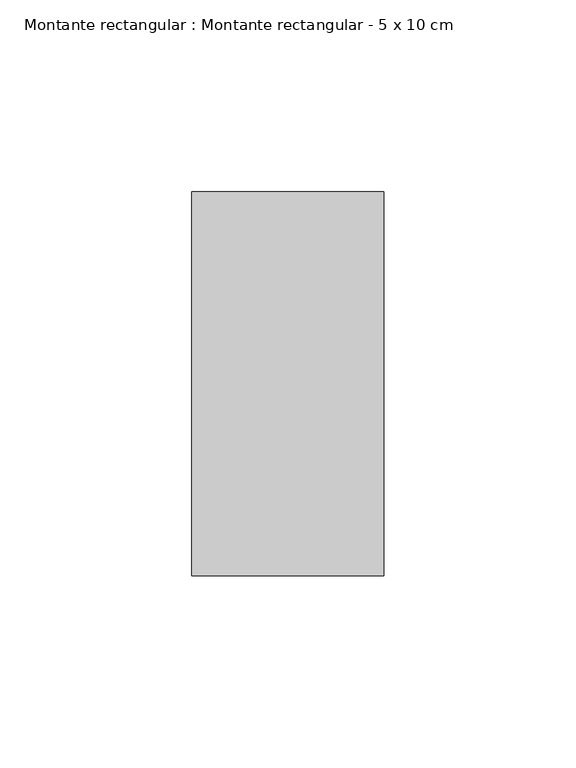
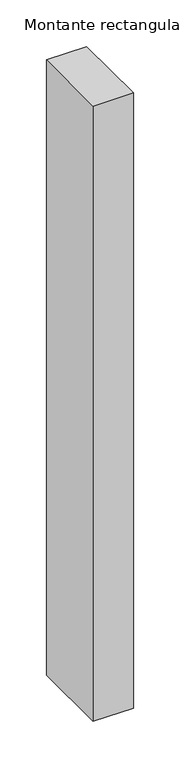
"""IFC4 building model written with IfcOpenShell, lengths in millimetres: member geometry, Montante rectangular : Montante rectangular - 5 x 10 cm."""

import ifcopenshell
import ifcopenshell.guid

model = None  # the IFC model being written
_history = None  # IfcOwnerHistory: only IFC2X3 demands one
_inside = {}  # id of a spatial element -> (the spatial element, [elements in it])
_under = {}  # id of a project, library or spatial element -> (it, [spatial elements below it])
_declared = {}  # id of a project -> (the project, [libraries it declares])
_typed = {}  # id of a type object -> (the type object, [elements of that type])
_made_of = {}  # id of a material, layer set ... -> (it, [elements and type objects made of it])


def new_model(schema):
    """Start an empty IFC model of exactly this schema.

    Asked for "IFC4X3", IfcOpenShell would pick the latest addendum, in which some entities
    have other attributes; the version numbers below select the first issue.
    IFC2X3 requires an IfcOwnerHistory on every rooted entity: one is made here for all.
    """
    global model, _history
    if schema == "IFC4X3":
        model = ifcopenshell.file(schema_version=(4, 3, 0, 0))
    else:
        model = ifcopenshell.file(schema=schema)
    _inside.clear()
    _under.clear()
    _declared.clear()
    _typed.clear()
    _made_of.clear()
    _history = None
    if model.schema == "IFC2X3":
        org = make("IfcOrganization", Name="unknown")
        user = make(
            "IfcPersonAndOrganization",
            ThePerson=make("IfcPerson", FamilyName="unknown"),
            TheOrganization=org,
        )
        app = make(
            "IfcApplication",
            ApplicationDeveloper=org,
            Version="unknown",
            ApplicationFullName="unknown",
            ApplicationIdentifier="unknown",
        )
        _history = make(
            "IfcOwnerHistory",
            OwningUser=user,
            OwningApplication=app,
            ChangeAction="ADDED",
            CreationDate=0,
        )
    return model


def make(cls, **values):
    """One entity of the class cls with the attributes given. An attribute that is None is left unset."""
    return model.create_entity(
        cls, **{name: value for name, value in values.items() if value is not None}
    )


def rooted(cls, **values):
    """An entity with a GlobalId (a new one), such as an element, a storey or a relation."""
    return make(cls, GlobalId=ifcopenshell.guid.new(), OwnerHistory=_history, **values)


def si_unit(unit_type, name, prefix=None):
    """IfcSIUnit, for example si_unit("LENGTHUNIT", "METRE", prefix="MILLI")."""
    return make("IfcSIUnit", UnitType=unit_type, Prefix=prefix, Name=name)


def assignment(units):
    """IfcUnitAssignment: the units of a project."""
    return None if units is None else make("IfcUnitAssignment", Units=units)


def point(xyz):
    """IfcCartesianPoint."""
    return None if xyz is None else make("IfcCartesianPoint", Coordinates=xyz)


def direction(xyz):
    """IfcDirection."""
    return None if xyz is None else make("IfcDirection", DirectionRatios=xyz)


def frame(location, z_axis=None, x_axis=None):
    """IfcAxis2Placement3D, a coordinate frame: its origin and axes. An axis left out is left unset."""
    return make(
        "IfcAxis2Placement3D",
        Location=point(location),
        Axis=direction(z_axis),
        RefDirection=direction(x_axis),
    )


def origin():
    """The frame at (0, 0, 0) with its axes left unset."""
    return frame((0.0, 0.0, 0.0))


def place(relative_to, where):
    """IfcLocalPlacement: puts the frame where relative to a parent placement (None: the world)."""
    return make(
        "IfcLocalPlacement", PlacementRelTo=relative_to, RelativePlacement=where
    )


def context(
    kind, dimensions, precision=None, world=None, true_north=None, identifier=None
):
    """IfcGeometricRepresentationContext, for example the 3D "Model" context."""
    return make(
        "IfcGeometricRepresentationContext",
        ContextIdentifier=identifier,
        ContextType=kind,
        CoordinateSpaceDimension=dimensions,
        Precision=precision,
        WorldCoordinateSystem=world,
        TrueNorth=true_north,
    )


def project(units=None, contexts=None):
    """IfcProject with its units and contexts."""
    return rooted(
        "IfcProject",
        Name="project",
        RepresentationContexts=contexts,
        UnitsInContext=assignment(units),
    )


def spatial(cls, under=None, at=None, **own):
    """A site, building, storey or space (cls), placed at a placement, below another one or the project."""
    s = rooted(cls, ObjectPlacement=at, **own)
    if under is not None:
        _under.setdefault(under.id(), (under, []))[1].append(s)
    return s


def polyline(points):
    """IfcPolyline through the points."""
    return make("IfcPolyline", Points=[point(p) for p in points])


def outline(outer, holes=None, kind="AREA"):
    """IfcArbitraryClosedProfileDef: a profile drawn as a closed curve; with holes, ...WithVoids."""
    if holes is None:
        return make("IfcArbitraryClosedProfileDef", ProfileType=kind, OuterCurve=outer)
    return make(
        "IfcArbitraryProfileDefWithVoids",
        ProfileType=kind,
        OuterCurve=outer,
        InnerCurves=holes,
    )


def extrude(swept, where, along, depth):
    """IfcExtrudedAreaSolid: the profile swept, set in the frame where, extruded along a direction by depth."""
    return make(
        "IfcExtrudedAreaSolid",
        SweptArea=swept,
        Position=where,
        ExtrudedDirection=direction(along),
        Depth=depth,
    )


def shape(context_of_items, identifier, shape_type, items):
    """IfcShapeRepresentation: the items that make up one representation, for example the "Body"."""
    return make(
        "IfcShapeRepresentation",
        ContextOfItems=context_of_items,
        RepresentationIdentifier=identifier,
        RepresentationType=shape_type,
        Items=items,
    )


def source(mapping_origin, context_of_items, identifier, shape_type, items):
    """IfcRepresentationMap: a shape defined once, which mapped items show again and again."""
    return make(
        "IfcRepresentationMap",
        MappingOrigin=mapping_origin,
        MappedRepresentation=shape(context_of_items, identifier, shape_type, items),
    )


def transform(
    local_origin,
    x_axis=None,
    y_axis=None,
    z_axis=None,
    scale=None,
    scale2=None,
    scale3=None,
    uniform=True,
):
    """IfcCartesianTransformationOperator3D, or its non-uniform kind. x_axis, y_axis, z_axis: its Axis1, 2, 3."""
    if uniform:
        return make(
            "IfcCartesianTransformationOperator3D",
            Axis1=direction(x_axis),
            Axis2=direction(y_axis),
            LocalOrigin=point(local_origin),
            Scale=scale,
            Axis3=direction(z_axis),
        )
    return make(
        "IfcCartesianTransformationOperator3DnonUniform",
        Axis1=direction(x_axis),
        Axis2=direction(y_axis),
        LocalOrigin=point(local_origin),
        Scale=scale,
        Axis3=direction(z_axis),
        Scale2=scale2,
        Scale3=scale3,
    )


def mapped(mapping_source, mapping_target):
    """IfcMappedItem: shows the shape of a source again, moved by a transform."""
    return make(
        "IfcMappedItem", MappingSource=mapping_source, MappingTarget=mapping_target
    )


def made_of(thing, what):
    """Note that an element or type object is made of a material, layer set ...; save() writes the relation."""
    if what is not None:
        _made_of.setdefault(what.id(), (what, []))[1].append(thing)
    return thing


def element(
    cls,
    number,
    at=None,
    inside=None,
    cuts=None,
    type_object=None,
    material=None,
    context=None,
    identifier="Body",
    shape_type=None,
    held_by="IfcProductDefinitionShape",
    body=None,
    shapes=None,
    **own,
):
    """One element of the class cls, such as IfcWall. Its Tag is "e" and its number.

    at: its placement. inside: the storey or other place that contains it. cuts: it is an
    opening in that element (IfcRelVoidsElement). A single representation is given by context,
    identifier, shape_type and body (its items); several are given by shapes. held_by: the class
    of the entity that holds the representations. save() writes the other relations.
    """
    e = rooted(cls, Tag="e%d" % number, ObjectPlacement=at, **own)
    if body is not None:
        shapes = [shape(context, identifier, shape_type, body)]
    if shapes is not None:
        e.Representation = make(held_by, Representations=shapes)
    if inside is not None:
        _inside.setdefault(inside.id(), (inside, []))[1].append(e)
    if cuts is not None:
        rooted(
            "IfcRelVoidsElement", RelatingBuildingElement=cuts, RelatedOpeningElement=e
        )
    if type_object is not None:
        _typed.setdefault(type_object.id(), (type_object, []))[1].append(e)
    return made_of(e, material)


def aggregate(whole, parts):
    """IfcRelAggregates: a whole, such as a stair, and the parts it consists of."""
    return rooted("IfcRelAggregates", RelatingObject=whole, RelatedObjects=parts)


def save(model, path):
    """Write the relations noted so far, then the file.

    IfcRelAggregates (storeys below a building ...), IfcRelContainedInSpatialStructure (elements
    in a storey), IfcRelDefinesByType, IfcRelAssociatesMaterial and IfcRelDeclares: one each for
    every whole, place, type object, material and project.
    """
    for whole, parts in _under.values():
        aggregate(whole, parts)
    for where, things in _inside.values():
        rooted(
            "IfcRelContainedInSpatialStructure",
            RelatedElements=things,
            RelatingStructure=where,
        )
    for kind, things in _typed.values():
        rooted("IfcRelDefinesByType", RelatedObjects=things, RelatingType=kind)
    for what, things in _made_of.values():
        rooted("IfcRelAssociatesMaterial", RelatedObjects=things, RelatingMaterial=what)
    for by, libraries in _declared.values():
        rooted("IfcRelDeclares", RelatingContext=by, RelatedDefinitions=libraries)
    model.write(path)


def montante_rectangular_montante_rectangular_5_x_10_cm_9fa9df62(model_context):
    return source(origin(), model_context, "Body", "SweptSolid", [
        extrude(outline(polyline([(-50.0, 50.0), (0.0, 50.0), (0.0, -50.0), (-50.0, -50.0), (-50.0, 50.0)])), frame((0.0, 0.0, -805.5531804), z_axis=(0.0, 0.0, 1.0), x_axis=(1.0, 0.0, 0.0)), (0.0, 0.0, 1.0), 805.5531804),
    ])


if __name__ == "__main__":
    model = new_model("IFC4")
    model_context = context("Model", 3, world=origin())
    ifc_project = project(units=[si_unit("LENGTHUNIT", "METRE", prefix="MILLI")], contexts=[model_context])
    site = spatial("IfcSite", under=ifc_project)
    building = spatial("IfcBuilding", under=site)
    placement = place(None, origin())
    montante_rectangular_montante_rectangular_5_x_10_cm_shape = montante_rectangular_montante_rectangular_5_x_10_cm_9fa9df62(model_context)
    element("IfcMember", 1, ObjectType="Montante rectangular : Montante rectangular - 5 x 10 cm", at=placement, inside=building, context=model_context, shape_type="MappedRepresentation", body=[
        mapped(montante_rectangular_montante_rectangular_5_x_10_cm_shape, transform((0.0, 0.0, 0.0), x_axis=(1.0, 0.0, 0.0), y_axis=(0.0, 1.0, 0.0), z_axis=(0.0, 0.0, 1.0))),
    ])
    save(model, "model.ifc")
